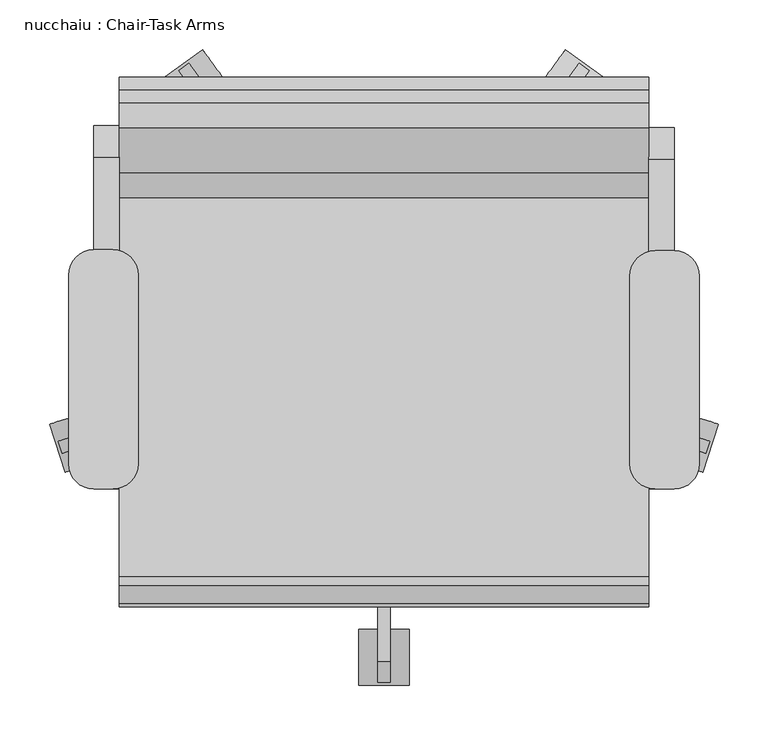
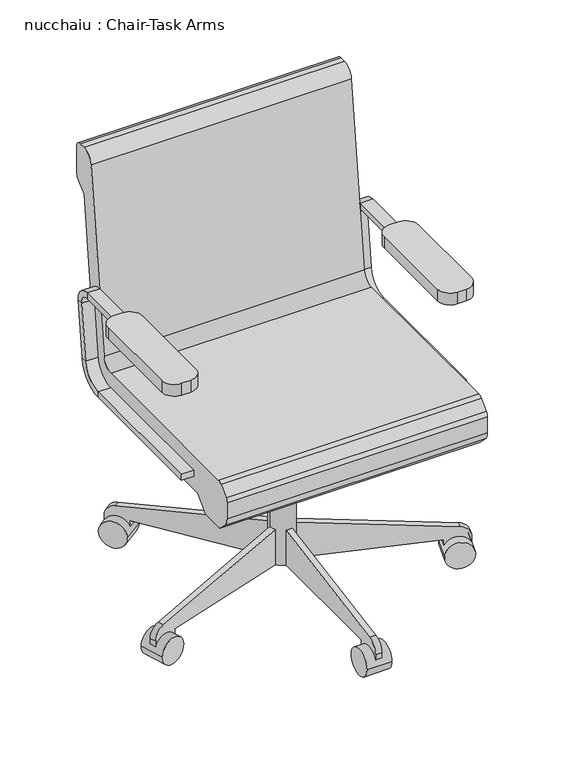
"""IFC4 building model written with IfcOpenShell, lengths in millimetres: furniture geometry, nucchaiu : Chair-Task Arms."""

from ifc_helpers import new_model, si_unit, point, frame, frame_2d, origin, place, context, project, spatial, polyline, circle_curve, trimmed, segment, composite_curve, outline, extrude, source, transform, mapped, element, save
from ifc_brep_helpers import plane_surface, cylinder_surface, revolved_surface, advanced_brep


def nucchaiu_chair_task_arms_7ff2a73e(model_context):
    return source(origin(), model_context, "Body", "SolidModel", [
        extrude(outline(composite_curve([segment(polyline([(-151.1091803, 112.0946081), (-132.0591803, 112.0946081)]), True, "CONTINUOUS"), segment(trimmed(circle_curve(frame_2d((-132.0591803, 86.6946081)), 25.4), [point((-132.0591803, 112.0946081))], [point((-106.6591803, 86.6946081))], False, "CARTESIAN"), True, "CONTINUOUS"), segment(polyline([(-106.6591803, 86.6946081), (-106.6591803, -103.7401058)]), True, "CONTINUOUS"), segment(trimmed(circle_curve(frame_2d((-132.0591803, -103.7401058)), 25.4), [point((-106.6591803, -103.7401058))], [point((-132.0591803, -129.1401058))], False, "CARTESIAN"), True, "CONTINUOUS"), segment(polyline([(-132.0591803, -129.1401058), (-151.1091803, -129.1401058)]), True, "CONTINUOUS"), segment(trimmed(circle_curve(frame_2d((-151.1091803, -103.7401058)), 25.4), [point((-151.1091803, -129.1401058))], [point((-176.5091803, -103.7401058))], False, "CARTESIAN"), True, "CONTINUOUS"), segment(polyline([(-176.5091803, -103.7401058), (-176.5091803, 86.6946081)]), True, "CONTINUOUS"), segment(trimmed(circle_curve(frame_2d((-151.1091803, 86.6946081)), 25.4), [point((-176.5091803, 86.6946081))], [point((-151.1091803, 112.0946081))], False, "CARTESIAN"), True, "CONTINUOUS")], self_intersect=False)), frame((0.0, 0.0, 596.9), z_axis=(0.0, 0.0, 1.0), x_axis=(1.0, 0.0, 0.0)), (0.0, 0.0, 1.0), 25.4),
        extrude(outline(composite_curve([segment(polyline([(414.0408197, 111.0494016), (433.0908197, 111.0494016)]), True, "CONTINUOUS"), segment(trimmed(circle_curve(frame_2d((433.0908197, 85.6494016)), 25.4), [point((433.0908197, 111.0494016))], [point((458.4908197, 85.6494016))], False, "CARTESIAN"), True, "CONTINUOUS"), segment(polyline([(458.4908197, 85.6494016), (458.4908197, -103.7401058)]), True, "CONTINUOUS"), segment(trimmed(circle_curve(frame_2d((433.0908197, -103.7401058)), 25.4), [point((458.4908197, -103.7401058))], [point((433.0908197, -129.1401058))], False, "CARTESIAN"), True, "CONTINUOUS"), segment(polyline([(433.0908197, -129.1401058), (414.0408197, -129.1401058)]), True, "CONTINUOUS"), segment(trimmed(circle_curve(frame_2d((414.0408197, -103.7401058)), 25.4), [point((414.0408197, -129.1401058))], [point((388.6408197, -103.7401058))], False, "CARTESIAN"), True, "CONTINUOUS"), segment(polyline([(388.6408197, -103.7401058), (388.6408197, 85.6494016)]), True, "CONTINUOUS"), segment(trimmed(circle_curve(frame_2d((414.0408197, 85.6494016)), 25.4), [point((388.6408197, 85.6494016))], [point((414.0408197, 111.0494016))], False, "CARTESIAN"), True, "CONTINUOUS")], self_intersect=False)), frame((0.0, 0.0, 596.9), z_axis=(0.0, 0.0, 1.0), x_axis=(1.0, 0.0, 0.0)), (0.0, 0.0, 1.0), 25.4),
        advanced_brep(
        [(433.0908197, -129.1401058, 412.75), (433.0908197, -129.1401058, 425.45), (407.6908197, -129.1401058, 425.45), (407.6908197, -129.1401058, 412.75), (433.0908197, 164.1306683, 412.75), (433.0908197, 164.1306683, 425.45), (407.6908197, 164.1306683, 425.45), (407.6908197, 164.1306683, 412.75), (433.0908197, 208.2762127, 464.7064065), (433.0908197, 220.8892254, 463.2225227), (407.6908197, 208.2762127, 464.7064065), (407.6908197, 220.8892254, 463.2225227), (433.0908197, 234.6854333, 580.4902904), (433.0908197, 222.0724207, 581.9741742), (407.6908197, 222.0724207, 581.9741742), (407.6908197, 234.6854333, 580.4902904), (433.0908197, 203.1529016, 603.25), (433.0908197, 203.1529016, 615.95), (407.6908197, 203.1529016, 603.25), (407.6908197, 203.1529016, 615.95), (433.0908197, 18.9459016, 615.95), (407.6908197, 18.9459016, 615.95), (407.6908197, 18.9459016, 603.25), (433.0908197, 18.9459016, 603.25)],
        [
            (0, 1),
            (1, 2),
            (2, 3),
            (3, 0),
            (0, 4),
            (4, 5),
            (5, 1),
            (5, 6),
            (6, 2),
            (6, 7),
            (7, 3),
            (7, 4),
            (8, 5, circle_curve(frame((433.0908197, 164.1306683, 469.9), z_axis=(-1.0, 0.0, 0.0), x_axis=(0.0, 0.0, -1.0)), 44.45)),
            (4, 9, circle_curve(frame((433.0908197, 164.1306683, 469.9), z_axis=(1.0, 0.0, 0.0), x_axis=(0.0, 0.0, -1.0)), 57.15)),
            (9, 8),
            (10, 6, circle_curve(frame((407.6908197, 164.1306683, 469.9), z_axis=(-1.0, 0.0, 0.0), x_axis=(0.0, 0.0, -1.0)), 44.45)),
            (8, 10),
            (11, 7, circle_curve(frame((407.6908197, 164.1306683, 469.9), z_axis=(-1.0, 0.0, 0.0), x_axis=(0.0, 0.0, -1.0)), 57.15)),
            (10, 11),
            (11, 9),
            (9, 12),
            (12, 13),
            (13, 8),
            (13, 14),
            (14, 10),
            (14, 15),
            (15, 11),
            (15, 12),
            (16, 13, circle_curve(frame((433.0908197, 203.1529016, 584.2), z_axis=(-1.0, 0.0, 0.0), x_axis=(0.0, 0.9931506043228768, -0.11684124756739202)), 19.05)),
            (12, 17, circle_curve(frame((433.0908197, 203.1529016, 584.2), z_axis=(1.0, 0.0, 0.0), x_axis=(0.0, 0.9931506043228768, -0.11684124756739202)), 31.75)),
            (17, 16),
            (18, 14, circle_curve(frame((407.6908197, 203.1529016, 584.2), z_axis=(-1.0, 0.0, 0.0), x_axis=(0.0, 0.9931506043228768, -0.11684124756739202)), 19.05)),
            (16, 18),
            (19, 15, circle_curve(frame((407.6908197, 203.1529016, 584.2), z_axis=(-1.0, 0.0, 0.0), x_axis=(0.0, 0.9931506043228768, -0.11684124756739202)), 31.75)),
            (18, 19),
            (19, 17),
            (20, 21),
            (21, 22),
            (22, 23),
            (23, 20),
            (17, 20),
            (23, 16),
            (22, 18),
            (21, 19),
        ],
        [
            plane_surface(frame((406.191788, -129.1401058, 419.1), z_axis=(0.0, -1.0, 0.0), x_axis=(0.0, 0.0, 1.0))),
            plane_surface(frame((433.0908197, -129.1401058, 412.75), z_axis=(1.0, 0.0, 0.0), x_axis=(0.0, 1.0, 0.0))),
            plane_surface(frame((433.0908197, -129.1401058, 425.45), z_axis=(0.0, 0.0, 1.0), x_axis=(0.0, 1.0, 0.0))),
            plane_surface(frame((407.6908197, -129.1401058, 425.45), z_axis=(-1.0, 0.0, 0.0), x_axis=(0.0, 1.0, 0.0))),
            plane_surface(frame((407.6908197, -129.1401058, 412.75), z_axis=(0.0, 0.0, -1.0), x_axis=(0.0, 1.0, 0.0))),
            plane_surface(frame((433.0908197, 164.1306683, 469.9), z_axis=(1.0, 0.0, 0.0), x_axis=(0.0, 0.0, -1.0))),
            revolved_surface(polyline([(433.0908197, 164.1306683, 425.45), (407.6908197, 164.1306683, 425.45)]), (420.3908197, 164.1306683, 469.9), (1.0, 0.0, 0.0)),
            plane_surface(frame((407.6908197, 164.1306683, 469.9), z_axis=(-1.0, 0.0, 0.0), x_axis=(0.0, 0.0, -1.0))),
            cylinder_surface(frame((420.3908197, 164.1306683, 469.9), z_axis=(1.0, 0.0, 0.0), x_axis=(0.0, 0.0, -1.0)), 57.15),
            plane_surface(frame((433.0908197, 220.8892254, 463.2225227), z_axis=(1.0, 0.0, 0.0), x_axis=(0.0, 0.1168412475673856, 0.9931506043228776))),
            plane_surface(frame((433.0908197, 208.2762127, 464.7064065), z_axis=(0.0, -0.9931506043228776, 0.1168412475673856), x_axis=(0.0, 0.1168412475673856, 0.9931506043228776))),
            plane_surface(frame((407.6908197, 208.2762127, 464.7064065), z_axis=(-1.0, 0.0, 0.0), x_axis=(0.0, 0.1168412475673856, 0.9931506043228776))),
            plane_surface(frame((407.6908197, 220.8892254, 463.2225227), z_axis=(0.0, 0.9931506043228776, -0.1168412475673856), x_axis=(0.0, 0.1168412475673856, 0.9931506043228776))),
            plane_surface(frame((433.0908197, 203.1529016, 584.2), z_axis=(1.0, 0.0, 0.0), x_axis=(0.0, 0.9931506043228768, -0.11684124756739202))),
            revolved_surface(polyline([(433.0908197, 222.0724206123508, 581.9741742338413), (407.6908197, 222.0724206123508, 581.9741742338413)]), (420.3908197, 203.1529016, 584.2), (1.0, 0.0, 0.0)),
            plane_surface(frame((407.6908197, 203.1529016, 584.2), z_axis=(-1.0, 0.0, 0.0), x_axis=(0.0, 0.9931506043228768, -0.11684124756739202))),
            cylinder_surface(frame((420.3908197, 203.1529016, 584.2), z_axis=(1.0, 0.0, 0.0), x_axis=(0.0, 0.9931506043228768, -0.11684124756739202)), 31.75),
            plane_surface(frame((406.191788, 18.9459016, 609.6), z_axis=(0.0, -1.0, 0.0), x_axis=(0.0, 0.0, -1.0))),
            plane_surface(frame((433.0908197, 203.1529016, 615.95), z_axis=(1.0, 0.0, 0.0), x_axis=(0.0, -1.0, 0.0))),
            plane_surface(frame((433.0908197, 203.1529016, 603.25), z_axis=(0.0, 0.0, -1.0), x_axis=(0.0, -1.0, 0.0))),
            plane_surface(frame((407.6908197, 203.1529016, 603.25), z_axis=(-1.0, 0.0, 0.0), x_axis=(0.0, -1.0, 0.0))),
            plane_surface(frame((407.6908197, 203.1529016, 615.95), z_axis=(0.0, 0.0, 1.0), x_axis=(0.0, -1.0, 0.0))),
        ],
        [
            (0, [[1, 2, 3, 4]]),
            (1, [[-1, 5, 6, 7]]),
            (2, [[-2, -7, 8, 9]]),
            (3, [[-3, -9, 10, 11]]),
            (4, [[-4, -11, 12, -5]]),
            (5, [[13, -6, 14, 15]]),
            (6, [[16, -8, -13, 17]]),
            (7, [[18, -10, -16, 19]]),
            (8, [[-14, -12, -18, 20]]),
            (9, [[-15, 21, 22, 23]]),
            (10, [[-17, -23, 24, 25]]),
            (11, [[-19, -25, 26, 27]]),
            (12, [[-20, -27, 28, -21]]),
            (13, [[29, -22, 30, 31]]),
            (14, [[32, -24, -29, 33]]),
            (15, [[34, -26, -32, 35]]),
            (16, [[-30, -28, -34, 36]]),
            (17, [[37, 38, 39, 40]]),
            (18, [[-31, 41, -40, 42]]),
            (19, [[-33, -42, -39, 43]]),
            (20, [[-35, -43, -38, 44]]),
            (21, [[-36, -44, -37, -41]]),
        ],
    ),
        advanced_brep(
        [(-151.1091803, -129.1401058, 425.45), (-151.1091803, -129.1401058, 412.75), (-125.7091803, -129.1401058, 412.75), (-125.7091803, -129.1401058, 425.45), (-151.1091803, 166.2210813, 425.45), (-151.1091803, 166.2210813, 412.75), (-125.7091803, 166.2210813, 412.75), (-125.7091803, 166.2210813, 425.45), (-151.1091803, 222.9796383, 463.2225227), (-151.1091803, 210.3666257, 464.7064065), (-125.7091803, 222.9796383, 463.2225227), (-125.7091803, 210.3666257, 464.7064065), (-151.1091803, 224.1628336, 581.9741742), (-151.1091803, 236.7758463, 580.4902904), (-125.7091803, 236.7758463, 580.4902904), (-125.7091803, 224.1628336, 581.9741742), (-151.1091803, 205.2433146, 615.95), (-151.1091803, 205.2433146, 603.25), (-125.7091803, 205.2433146, 615.95), (-125.7091803, 205.2433146, 603.25), (-151.1091803, 18.9459016, 603.25), (-125.7091803, 18.9459016, 603.25), (-125.7091803, 18.9459016, 615.95), (-151.1091803, 18.9459016, 615.95)],
        [
            (0, 1),
            (1, 2),
            (2, 3),
            (3, 0),
            (0, 4),
            (4, 5),
            (5, 1),
            (5, 6),
            (6, 2),
            (6, 7),
            (7, 3),
            (7, 4),
            (8, 5, circle_curve(frame((-151.1091803, 166.2210813, 469.9), z_axis=(-1.0, 0.0, 0.0), x_axis=(0.0, 0.0, -1.0)), 57.15)),
            (4, 9, circle_curve(frame((-151.1091803, 166.2210813, 469.9), z_axis=(1.0, 0.0, 0.0), x_axis=(0.0, 0.0, -1.0)), 44.45)),
            (9, 8),
            (10, 6, circle_curve(frame((-125.7091803, 166.2210813, 469.9), z_axis=(-1.0, 0.0, 0.0), x_axis=(0.0, 0.0, -1.0)), 57.15)),
            (8, 10),
            (11, 7, circle_curve(frame((-125.7091803, 166.2210813, 469.9), z_axis=(-1.0, 0.0, 0.0), x_axis=(0.0, 0.0, -1.0)), 44.45)),
            (10, 11),
            (11, 9),
            (9, 12),
            (12, 13),
            (13, 8),
            (13, 14),
            (14, 10),
            (14, 15),
            (15, 11),
            (15, 12),
            (16, 13, circle_curve(frame((-151.1091803, 205.2433146, 584.2), z_axis=(-1.0, 0.0, 0.0), x_axis=(0.0, 0.9931506043228767, -0.1168412475673929)), 31.75)),
            (12, 17, circle_curve(frame((-151.1091803, 205.2433146, 584.2), z_axis=(1.0, 0.0, 0.0), x_axis=(0.0, 0.9931506043228767, -0.1168412475673929)), 19.05)),
            (17, 16),
            (18, 14, circle_curve(frame((-125.7091803, 205.2433146, 584.2), z_axis=(-1.0, 0.0, 0.0), x_axis=(0.0, 0.9931506043228767, -0.1168412475673929)), 31.75)),
            (16, 18),
            (19, 15, circle_curve(frame((-125.7091803, 205.2433146, 584.2), z_axis=(-1.0, 0.0, 0.0), x_axis=(0.0, 0.9931506043228767, -0.1168412475673929)), 19.05)),
            (18, 19),
            (19, 17),
            (20, 21),
            (21, 22),
            (22, 23),
            (23, 20),
            (17, 20),
            (23, 16),
            (22, 18),
            (21, 19),
        ],
        [
            plane_surface(frame((-152.608212, -129.1401058, 419.1), z_axis=(0.0, -1.0, 0.0), x_axis=(0.0, 0.0, 1.0))),
            plane_surface(frame((-151.1091803, -129.1401058, 425.45), z_axis=(-1.0, 0.0, 0.0), x_axis=(0.0, 1.0, 0.0))),
            plane_surface(frame((-151.1091803, -129.1401058, 412.75), z_axis=(0.0, 0.0, -1.0), x_axis=(0.0, 1.0, 0.0))),
            plane_surface(frame((-125.7091803, -129.1401058, 412.75), z_axis=(1.0, 0.0, 0.0), x_axis=(0.0, 1.0, 0.0))),
            plane_surface(frame((-125.7091803, -129.1401058, 425.45), z_axis=(0.0, 0.0, 1.0), x_axis=(0.0, 1.0, 0.0))),
            plane_surface(frame((-151.1091803, 166.2210813, 469.9), z_axis=(-1.0, 0.0, 0.0), x_axis=(0.0, 0.0, -1.0))),
            cylinder_surface(frame((-138.4091803, 166.2210813, 469.9), z_axis=(1.0, 0.0, 0.0), x_axis=(0.0, 0.0, -1.0)), 57.15),
            plane_surface(frame((-125.7091803, 166.2210813, 469.9), z_axis=(1.0, 0.0, 0.0), x_axis=(0.0, 0.0, -1.0))),
            revolved_surface(polyline([(-125.7091803, 166.2210813, 425.45), (-151.1091803, 166.2210813, 425.45)]), (-138.4091803, 166.2210813, 469.9), (1.0, 0.0, 0.0)),
            plane_surface(frame((-151.1091803, 210.3666257, 464.7064065), z_axis=(-1.0, 0.0, 0.0), x_axis=(0.0, 0.11684124756738626, 0.9931506043228775))),
            plane_surface(frame((-151.1091803, 222.9796383, 463.2225227), z_axis=(0.0, 0.9931506043228775, -0.11684124756738626), x_axis=(0.0, 0.11684124756738626, 0.9931506043228775))),
            plane_surface(frame((-125.7091803, 222.9796383, 463.2225227), z_axis=(1.0, 0.0, 0.0), x_axis=(0.0, 0.11684124756738626, 0.9931506043228775))),
            plane_surface(frame((-125.7091803, 210.3666257, 464.7064065), z_axis=(0.0, -0.9931506043228775, 0.11684124756738626), x_axis=(0.0, 0.11684124756738626, 0.9931506043228775))),
            plane_surface(frame((-151.1091803, 205.2433146, 584.2), z_axis=(-1.0, 0.0, 0.0), x_axis=(0.0, 0.9931506043228767, -0.1168412475673929))),
            cylinder_surface(frame((-138.4091803, 205.2433146, 584.2), z_axis=(1.0, 0.0, 0.0), x_axis=(0.0, 0.9931506043228767, -0.1168412475673929)), 31.75),
            plane_surface(frame((-125.7091803, 205.2433146, 584.2), z_axis=(1.0, 0.0, 0.0), x_axis=(0.0, 0.9931506043228767, -0.1168412475673929))),
            revolved_surface(polyline([(-125.7091803, 224.1628336123508, 581.9741742338412), (-151.1091803, 224.1628336123508, 581.9741742338412)]), (-138.4091803, 205.2433146, 584.2), (1.0, 0.0, 0.0)),
            plane_surface(frame((-152.608212, 18.9459016, 609.6), z_axis=(0.0, -1.0, 0.0), x_axis=(0.0, 0.0, -1.0))),
            plane_surface(frame((-151.1091803, 205.2433146, 603.25), z_axis=(-1.0, 0.0, 0.0), x_axis=(0.0, -1.0, 0.0))),
            plane_surface(frame((-151.1091803, 205.2433146, 615.95), z_axis=(0.0, 0.0, 1.0), x_axis=(0.0, -1.0, 0.0))),
            plane_surface(frame((-125.7091803, 205.2433146, 615.95), z_axis=(1.0, 0.0, 0.0), x_axis=(0.0, -1.0, 0.0))),
            plane_surface(frame((-125.7091803, 205.2433146, 603.25), z_axis=(0.0, 0.0, -1.0), x_axis=(0.0, -1.0, 0.0))),
        ],
        [
            (0, [[1, 2, 3, 4]]),
            (1, [[-1, 5, 6, 7]]),
            (2, [[-2, -7, 8, 9]]),
            (3, [[-3, -9, 10, 11]]),
            (4, [[-4, -11, 12, -5]]),
            (5, [[13, -6, 14, 15]]),
            (6, [[16, -8, -13, 17]]),
            (7, [[18, -10, -16, 19]]),
            (8, [[-14, -12, -18, 20]]),
            (9, [[-15, 21, 22, 23]]),
            (10, [[-17, -23, 24, 25]]),
            (11, [[-19, -25, 26, 27]]),
            (12, [[-20, -27, 28, -21]]),
            (13, [[29, -22, 30, 31]]),
            (14, [[32, -24, -29, 33]]),
            (15, [[34, -26, -32, 35]]),
            (16, [[-30, -28, -34, 36]]),
            (17, [[37, 38, 39, 40]]),
            (18, [[-31, 41, -40, 42]]),
            (19, [[-33, -42, -39, 43]]),
            (20, [[-35, -43, -38, 44]]),
            (21, [[-36, -44, -37, -41]]),
        ],
    ),
        extrude(outline(composite_curve([segment(trimmed(circle_curve(frame_2d((140.9908197, 18.9459016)), 25.4), [point((166.3908197, 18.9459016))], [point((115.5908197, 18.9459016))], False, "CARTESIAN"), True, "CONTINUOUS"), segment(trimmed(circle_curve(frame_2d((140.9908197, 18.9459016)), 25.4), [point((115.5908197, 18.9459016))], [point((166.3908197, 18.9459016))], False, "CARTESIAN"), True, "CONTINUOUS")], self_intersect=False)), frame((0.0, 0.0, 53.5835944), z_axis=(0.0, 0.0, 1.0), x_axis=(1.0, 0.0, 0.0)), (0.0, 0.0, 1.0), 330.5914056),
        extrude(outline(composite_curve([segment(trimmed(circle_curve(frame_2d((0.0, -28.2002727)), 28.2002727), [point((0.0, -56.4005454))], [point((0.0, 0.0))], False, "CARTESIAN"), True, "CONTINUOUS"), segment(trimmed(circle_curve(frame_2d((0.0, -28.2002727)), 28.2002727), [point((0.0, 0.0))], [point((0.0, -56.4005454))], False, "CARTESIAN"), True, "CONTINUOUS")], self_intersect=False)), frame((-179.9406457, -112.0381931, 28.1835944), z_axis=(-0.3090169943749372, 0.951056516295157, 0.0), x_axis=(0.0, 0.0, -1.0)), (0.0, 0.0, 1.0), 50.8),
        extrude(outline(composite_curve([segment(polyline([(25.4, 0.0), (25.4, 292.1), (101.6, 292.1), (101.6, 266.7), (49.3171699, -29.8106637)]), True, "CONTINUOUS"), segment(trimmed(circle_curve(frame_2d((24.303053, -25.4)), 25.4), [point((49.3171699, -29.8106637))], [point((24.303053, -50.8000001))], False, "CARTESIAN"), True, "CONTINUOUS"), segment(polyline([(24.303053, -50.8000001), (0.0, -50.8000001), (0.0, 0.0), (25.4, 0.0)]), True, "CONTINUOUS")], self_intersect=False)), frame((-134.8505308, -77.3571713, 28.1835944), z_axis=(-0.3090169943749371, 0.951056516295157, 0.0), x_axis=(0.0, 0.0, 1.0)), (0.0, 0.0, 1.0), 12.7),
        extrude(outline(composite_curve([segment(trimmed(circle_curve(frame_2d((0.0, -28.2002727)), 28.2002727), [point((0.0, -56.4005454))], [point((0.0, 0.0))], False, "CARTESIAN"), True, "CONTINUOUS"), segment(trimmed(circle_curve(frame_2d((0.0, -28.2002727)), 28.2002727), [point((0.0, 0.0))], [point((0.0, -56.4005454))], False, "CARTESIAN"), True, "CONTINUOUS")], self_intersect=False)), frame((-82.755734, 283.6935518, 28.1835944), z_axis=(0.8090169943749531, 0.5877852522924655, 0.0), x_axis=(0.0, 0.0, -1.0)), (0.0, 0.0, 1.0), 50.8),
        extrude(outline(composite_curve([segment(polyline([(25.4, 0.0), (25.4, 292.1), (101.6, 292.1), (101.6, 266.6999999), (49.3171699, -29.8106638)]), True, "CONTINUOUS"), segment(trimmed(circle_curve(frame_2d((24.303053, -25.4)), 25.4), [point((49.3171699, -29.8106638))], [point((24.303053, -50.8000001))], False, "CARTESIAN"), True, "CONTINUOUS"), segment(polyline([(24.303053, -50.8000001), (0.0, -50.8000001), (0.0, 0.0), (25.4, 0.0)]), True, "CONTINUOUS")], self_intersect=False)), frame((-35.8385104, 251.5273293, 28.1835944), z_axis=(0.8090169943749531, 0.5877852522924655, 0.0), x_axis=(0.0, 0.0, 1.0)), (0.0, 0.0, 1.0), 12.7),
        extrude(outline(composite_curve([segment(trimmed(circle_curve(frame_2d((0.0, -28.2002727)), 28.2002727), [point((0.0, -56.4005454))], [point((0.0, 0.0))], False, "CARTESIAN"), True, "CONTINUOUS"), segment(trimmed(circle_curve(frame_2d((0.0, -28.2002727)), 28.2002727), [point((0.0, 0.0))], [point((0.0, -56.4005454))], False, "CARTESIAN"), True, "CONTINUOUS")], self_intersect=False)), frame((364.7373733, 283.6935518, 28.1835944), z_axis=(-0.8090169943749427, 0.5877852522924798, 0.0), x_axis=(0.0, 0.0, 1.0)), (0.0, 0.0, 1.0), 50.8),
        extrude(outline(composite_curve([segment(polyline([(-25.4, 0.0), (0.0, 0.0), (0.0, -50.8000001), (-24.303053, -50.8000001)]), True, "CONTINUOUS"), segment(trimmed(circle_curve(frame_2d((-24.303053, -25.4)), 25.4), [point((-24.303053, -50.8000001))], [point((-49.3171699, -29.8106638))], False, "CARTESIAN"), True, "CONTINUOUS"), segment(polyline([(-49.3171699, -29.8106638), (-101.6, 266.7), (-101.6, 292.1), (-25.4, 292.1), (-25.4, 0.0)]), True, "CONTINUOUS")], self_intersect=False)), frame((317.8201498, 251.5273293, 28.1835944), z_axis=(-0.8090169943749427, 0.5877852522924798, 0.0), x_axis=(0.0, 0.0, -1.0)), (0.0, 0.0, 1.0), 12.7),
        extrude(outline(composite_curve([segment(trimmed(circle_curve(frame_2d((0.0, -28.2002728)), 28.2002727), [point((0.0, -56.4005455))], [point((0.0, 0.0))], False, "CARTESIAN"), True, "CONTINUOUS"), segment(trimmed(circle_curve(frame_2d((0.0, -28.2002728)), 28.2002727), [point((0.0, 0.0))], [point((0.0, -56.4005455))], False, "CARTESIAN"), True, "CONTINUOUS")], self_intersect=False)), frame((461.9222851, -112.0381931, 28.1835944), z_axis=(0.30901699437495384, 0.9510565162951515, 0.0), x_axis=(0.0, 0.0, 1.0)), (0.0, 0.0, 1.0), 50.8),
        extrude(outline(composite_curve([segment(polyline([(-25.4, 0.0), (0.0, 0.0), (0.0, -50.8), (-24.303053, -50.8)]), True, "CONTINUOUS"), segment(trimmed(circle_curve(frame_2d((-24.303053, -25.4)), 25.4), [point((-24.303053, -50.8))], [point((-49.3171699, -29.8106636))], False, "CARTESIAN"), True, "CONTINUOUS"), segment(polyline([(-49.3171699, -29.8106636), (-101.6, 266.7), (-101.6, 292.1), (-25.4, 292.1), (-25.4, 0.0)]), True, "CONTINUOUS")], self_intersect=False)), frame((416.8321702, -77.3571713, 28.1835944), z_axis=(0.30901699437495384, 0.9510565162951515, 0.0), x_axis=(0.0, 0.0, -1.0)), (0.0, 0.0, 1.0), 12.7),
        extrude(outline(composite_curve([segment(trimmed(circle_curve(frame_2d((-298.5540984, 28.1835944)), 28.2002727), [point((-270.3538256, 28.1835944))], [point((-326.7543711, 28.1835944))], False, "CARTESIAN"), True, "CONTINUOUS"), segment(trimmed(circle_curve(frame_2d((-298.5540984, 28.1835944)), 28.2002727), [point((-326.7543711, 28.1835944))], [point((-270.3538256, 28.1835944))], False, "CARTESIAN"), True, "CONTINUOUS")], self_intersect=False)), frame((115.5908197, 0.0, 0.0), z_axis=(1.0, 0.0, 0.0), x_axis=(0.0, 1.0, 0.0)), (0.0, 0.0, 1.0), 50.8),
        extrude(outline(composite_curve([segment(polyline([(-273.1540984, 53.5835944), (-273.1540984, 28.1835944), (-323.9540984, 28.1835944), (-323.9540984, 52.4866474)]), True, "CONTINUOUS"), segment(trimmed(circle_curve(frame_2d((-298.5540984, 52.4866474)), 25.4), [point((-323.9540984, 52.4866474))], [point((-302.9647621, 77.5007643))], False, "CARTESIAN"), True, "CONTINUOUS"), segment(polyline([(-302.9647621, 77.5007643), (-6.4540984, 129.7835944), (18.9459016, 129.7835944), (18.9459016, 53.5835944), (-273.1540984, 53.5835944)]), True, "CONTINUOUS")], self_intersect=False)), frame((134.6408197, 0.0, 0.0), z_axis=(1.0, 0.0, 0.0), x_axis=(0.0, 1.0, 0.0)), (0.0, 0.0, 1.0), 12.7),
        extrude(outline(polyline([(-31.8540984, 383.7835944), (57.0459016, 383.7835944), (57.0459016, 283.0954134), (18.9459016, 283.0954134), (-31.8540984, 371.0835944), (-31.8540984, 383.7835944)])), frame((90.1908197, 0.0, 0.0), z_axis=(1.0, 0.0, 0.0), x_axis=(0.0, 1.0, 0.0)), (0.0, 0.0, 1.0), 101.6),
        extrude(outline(composite_curve([segment(trimmed(circle_curve(frame_2d((164.0968488, 482.6)), 25.4), [point((164.0968488, 457.2))], [point((189.3228741, 479.6322323))], True, "CARTESIAN"), True, "CONTINUOUS"), segment(polyline([(189.3228741, 479.6322323), (234.8447018, 866.5677677)]), True, "CONTINUOUS"), segment(trimmed(circle_curve(frame_2d((260.0707271, 863.6)), 25.4), [point((234.8447018, 866.5677677))], [point((260.0707271, 889.0))], False, "CARTESIAN"), True, "CONTINUOUS"), segment(polyline([(260.0707271, 889.0), (272.9459016, 889.0)]), True, "CONTINUOUS"), segment(trimmed(circle_curve(frame_2d((272.9459016, 876.3)), 12.7), [point((272.9459016, 889.0))], [point((285.6459016, 876.3))], False, "CARTESIAN"), True, "CONTINUOUS"), segment(polyline([(285.6459016, 876.3), (285.6459016, 818.0605122)]), True, "CONTINUOUS"), segment(trimmed(circle_curve(frame_2d((272.9459016, 818.0605122)), 12.7), [point((285.6459016, 818.0605122))], [point((281.9261578, 809.0802561))], False, "CARTESIAN"), True, "CONTINUOUS"), segment(polyline([(281.9261578, 809.0802561), (260.2459016, 787.4), (220.6788771, 451.0802913)]), True, "CONTINUOUS"), segment(trimmed(circle_curve(frame_2d((145.000801, 459.9835944)), 76.2), [point((220.6788771, 451.0802913))], [point((145.000801, 383.7835944))], False, "CARTESIAN"), True, "CONTINUOUS"), segment(polyline([(145.000801, 383.7835944), (-143.1826569, 383.7835944), (-171.5552251, 355.6), (-222.3552251, 355.6), (-240.3745223, 373.7401184)]), True, "CONTINUOUS"), segment(trimmed(circle_curve(frame_2d((-222.3540984, 391.6405184)), 25.4), [point((-240.3745223, 373.7401184))], [point((-247.7540984, 391.6405184))], False, "CARTESIAN"), True, "CONTINUOUS"), segment(polyline([(-247.7540984, 391.6405184), (-247.7540984, 426.6837879)]), True, "CONTINUOUS"), segment(trimmed(circle_curve(frame_2d((-235.0540984, 426.6837879)), 12.7), [point((-247.7540984, 426.6837879))], [point((-244.0042984, 435.6939999))], False, "CARTESIAN"), True, "CONTINUOUS"), segment(polyline([(-244.0042984, 435.6939999), (-226.0686268, 453.510212)]), True, "CONTINUOUS"), segment(trimmed(circle_curve(frame_2d((-217.1184268, 444.5)), 12.7), [point((-226.0686268, 453.510212))], [point((-217.1184268, 457.2))], False, "CARTESIAN"), True, "CONTINUOUS"), segment(polyline([(-217.1184268, 457.2), (164.0968488, 457.2)]), True, "CONTINUOUS")], self_intersect=False)), frame((-125.7091803, 0.0, 0.0), z_axis=(1.0, 0.0, 0.0), x_axis=(0.0, 1.0, 0.0)), (0.0, 0.0, 1.0), 533.4),
    ])


if __name__ == "__main__":
    model = new_model("IFC4")
    model_context = context("Model", 3, world=origin())
    ifc_project = project(units=[si_unit("LENGTHUNIT", "METRE", prefix="MILLI")], contexts=[model_context])
    site = spatial("IfcSite", under=ifc_project)
    building = spatial("IfcBuilding", under=site)
    placement = place(None, origin())
    nucchaiu_chair_task_arms_shape = nucchaiu_chair_task_arms_7ff2a73e(model_context)
    element("IfcFurniture", 1, ObjectType="nucchaiu : Chair-Task Arms", at=placement, inside=building, context=model_context, shape_type="MappedRepresentation", body=[
        mapped(nucchaiu_chair_task_arms_shape, transform((0.0, 0.0, 0.0), x_axis=(1.0, 0.0, 0.0), y_axis=(0.0, 1.0, 0.0), z_axis=(0.0, 0.0, 1.0))),
    ])
    save(model, "model.ifc")
